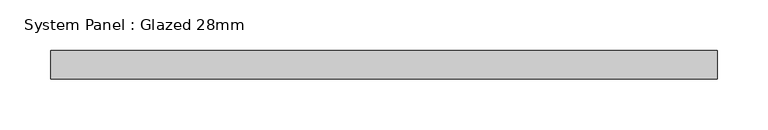
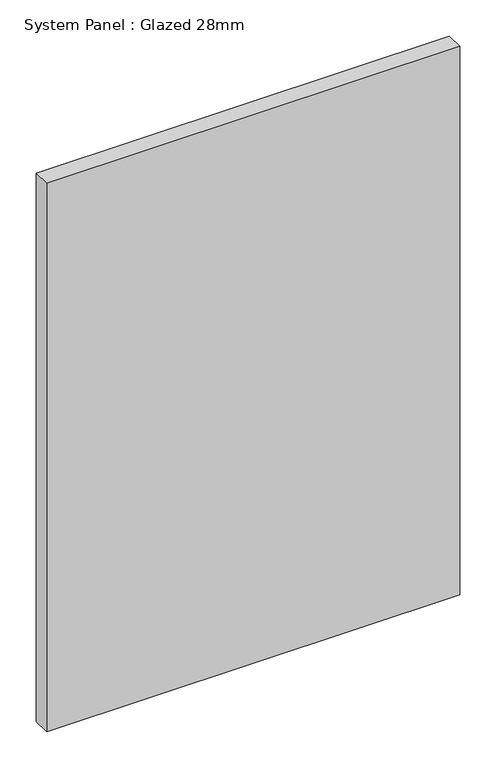
"""IFC4 building model written with IfcOpenShell, lengths in millimetres: plate geometry, System Panel : Glazed 28mm."""

from ifc_helpers import new_model, si_unit, origin, origin_with_axes, place, context, project, spatial, polyline, outline, extrude, source, transform, mapped, element, save


def system_panel_glazed_28mm_87e9d704(model_context):
    return source(origin(), model_context, "Body", "SweptSolid", [
        extrude(outline(polyline([(327.8727937, -14.0), (-327.8727937, -14.0), (-327.8727937, 14.0), (327.8727937, 14.0), (327.8727937, -14.0)])), origin_with_axes(), (0.0, 0.0, 1.0), 920.6595328),
    ])


if __name__ == "__main__":
    model = new_model("IFC4")
    model_context = context("Model", 3, world=origin())
    ifc_project = project(units=[si_unit("LENGTHUNIT", "METRE", prefix="MILLI")], contexts=[model_context])
    site = spatial("IfcSite", under=ifc_project)
    building = spatial("IfcBuilding", under=site)
    placement = place(None, origin())
    system_panel_glazed_28mm_shape = system_panel_glazed_28mm_87e9d704(model_context)
    element("IfcPlate", 1, ObjectType="System Panel : Glazed 28mm", at=placement, inside=building, context=model_context, shape_type="MappedRepresentation", body=[
        mapped(system_panel_glazed_28mm_shape, transform((0.0, 0.0, 0.0), x_axis=(1.0, 0.0, 0.0), y_axis=(0.0, 1.0, 0.0), z_axis=(0.0, 0.0, 1.0))),
    ])
    save(model, "model.ifc")
